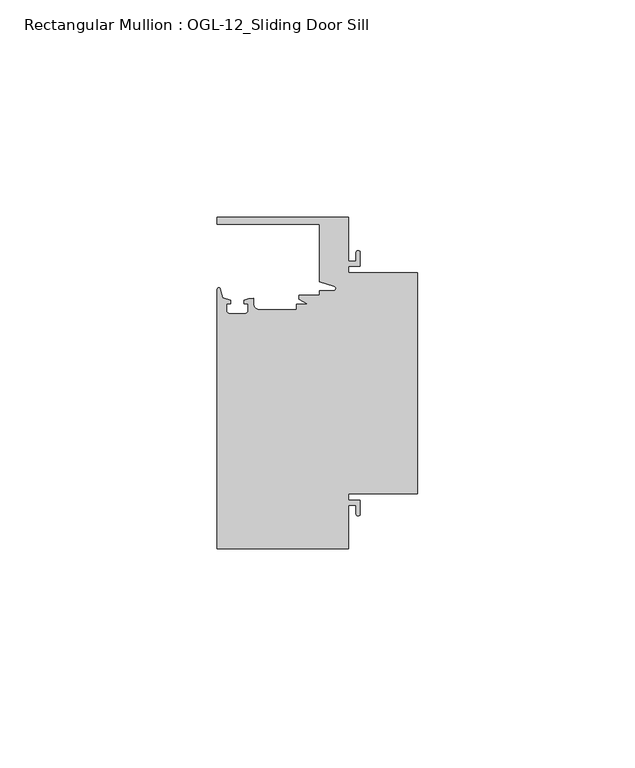
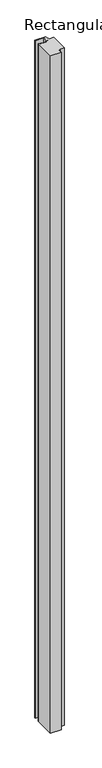
"""IFC4 building model written with IfcOpenShell, lengths in millimetres: member geometry, Rectangular Mullion : OGL-12_Sliding Door Sill."""

from ifc_helpers import new_model, si_unit, point, frame, frame_2d, origin, place, context, project, spatial, polyline, circle_curve, trimmed, segment, composite_curve, outline, extrude, source, transform, mapped, element, save


def rectangular_mullion_ogl_12_sliding_door_sill_5c1fec8b(model_context):
    return source(origin(), model_context, "Body", "SweptSolid", [
        extrude(outline(composite_curve([segment(polyline([(0.0, 25.4), (0.0, -25.4), (-15.934238, -25.4), (-15.934238, -26.8479425), (-13.2417195, -26.8479425), (-13.2417195, -30.0428503)]), True, "CONTINUOUS"), segment(trimmed(circle_curve(frame_2d((-13.6974747, -30.0428503)), 0.4557552), [point((-13.2417195, -30.0428503))], [point((-14.15323, -30.0428503))], False, "CARTESIAN"), True, "CONTINUOUS"), segment(polyline([(-14.15323, -30.0428503), (-14.15323, -28.0544425), (-15.934238, -28.0544425), (-15.934238, -38.1003208), (-46.0931306, -38.1003208), (-46.0931306, 21.6259141)]), True, "CONTINUOUS"), segment(trimmed(circle_curve(frame_2d((-45.7573546, 21.6259141)), 0.335776), [point((-46.0931306, 21.6259141))], [point((-45.434586, 21.7184665))], False, "CARTESIAN"), True, "CONTINUOUS"), segment(polyline([(-45.434586, 21.7184665), (-44.83413, 19.6244274), (-43.0244711, 19.0364336), (-43.0244711, 18.2246744), (-44.0028338, 18.2246744), (-44.0028338, 16.7746773)]), True, "CONTINUOUS"), segment(trimmed(circle_curve(frame_2d((-43.2028354, 16.7746773)), 0.7999984), [point((-44.0028338, 16.7746773))], [point((-43.2028354, 15.9746789))], True, "CARTESIAN"), True, "CONTINUOUS"), segment(polyline([(-43.2028354, 15.9746789), (-39.8028422, 15.9746789)]), True, "CONTINUOUS"), segment(trimmed(circle_curve(frame_2d((-39.8028422, 16.7746773)), 0.7999984), [point((-39.8028422, 15.9746789))], [point((-39.0028438, 16.7746773))], True, "CARTESIAN"), True, "CONTINUOUS"), segment(polyline([(-39.0028438, 16.7746773), (-39.0028438, 18.2246744), (-39.9812066, 18.2246744), (-39.9812066, 19.0676205), (-38.8813571, 19.4491353), (-37.7528423, 19.4819389), (-37.7528423, 18.2799969)]), True, "CONTINUOUS"), segment(trimmed(circle_curve(frame_2d((-36.3386331, 18.2778896)), 1.4142107), [point((-37.7528423, 18.2799969))], [point((-36.3386331, 16.8636789))], True, "CARTESIAN"), True, "CONTINUOUS"), segment(polyline([(-36.3386331, 16.8636789), (-27.9268052, 16.8636789), (-27.9268052, 18.1505375), (-25.1995125, 18.1505375), (-27.2970068, 19.265795), (-27.2970068, 20.2164975), (-22.6027094, 20.2164975), (-22.6027094, 21.2536528), (-19.3562398, 21.2536528)]), True, "CONTINUOUS"), segment(trimmed(circle_curve(frame_2d((-19.3562398, 21.789076)), 0.5354233), [point((-19.3562398, 21.2536528))], [point((-19.2086572, 22.3037579))], True, "CARTESIAN"), True, "CONTINUOUS"), segment(polyline([(-19.2086572, 22.3037579), (-22.6260049, 23.2836666), (-22.6260049, 36.5121792), (-46.0931306, 36.5121792), (-46.0931306, 38.0996792), (-15.934238, 38.0996792), (-15.934238, 28.0538009), (-14.15323, 28.0538009), (-14.15323, 30.0428503)]), True, "CONTINUOUS"), segment(trimmed(circle_curve(frame_2d((-13.6974747, 30.0428503)), 0.4557552), [point((-14.15323, 30.0428503))], [point((-13.2417195, 30.0428503))], False, "CARTESIAN"), True, "CONTINUOUS"), segment(polyline([(-13.2417195, 30.0428503), (-13.2417195, 26.8473009), (-15.934238, 26.8473009), (-15.934238, 25.4), (0.0, 25.4)]), True, "CONTINUOUS")], self_intersect=False)), frame((0.0, 0.0, -2032.0), z_axis=(0.0, 0.0, 1.0), x_axis=(1.0, 0.0, 0.0)), (0.0, 0.0, 1.0), 2032.0),
    ])


if __name__ == "__main__":
    model = new_model("IFC4")
    model_context = context("Model", 3, world=origin())
    ifc_project = project(units=[si_unit("LENGTHUNIT", "METRE", prefix="MILLI")], contexts=[model_context])
    site = spatial("IfcSite", under=ifc_project)
    building = spatial("IfcBuilding", under=site)
    placement = place(None, origin())
    rectangular_mullion_ogl_12_sliding_door_sill_shape = rectangular_mullion_ogl_12_sliding_door_sill_5c1fec8b(model_context)
    element("IfcMember", 1, ObjectType="Rectangular Mullion : OGL-12_Sliding Door Sill", at=placement, inside=building, context=model_context, shape_type="MappedRepresentation", body=[
        mapped(rectangular_mullion_ogl_12_sliding_door_sill_shape, transform((0.0, 0.0, 0.0), x_axis=(1.0, 0.0, 0.0), y_axis=(0.0, 1.0, 0.0), z_axis=(0.0, 0.0, 1.0))),
    ])
    save(model, "model.ifc")
